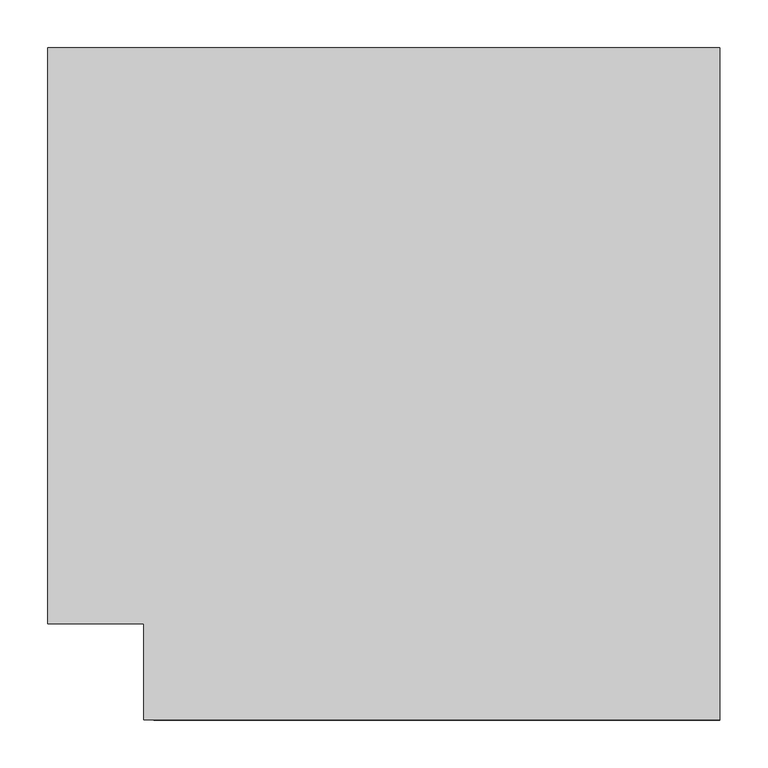
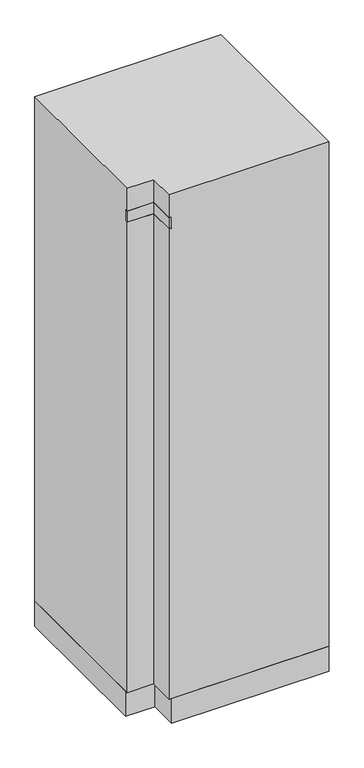
"""IFC4 building model written with IfcOpenShell, lengths in millimetres: proxy geometry."""

from ifc_helpers import new_model, si_unit, frame, origin, origin_with_axes, place, context, project, spatial, polyline, outline, extrude, faceted_brep, source, transform, mapped, element, save


def electrical_fixtures_651b7e24(model_context):
    return source(origin(), model_context, "Body", "SolidModel", [
        faceted_brep([(0.0, 0.0, 2100.0), (100.0, 0.0, 2100.0), (100.0, -100.0, 2100.0), (700.0, -100.0, 2100.0), (700.0, 600.0, 2100.0), (0.0, 600.0, 2100.0), (0.0, 0.0, 100.0), (0.0, 600.0, 100.0), (700.0, 600.0, 100.0), (700.0, -100.0, 100.0), (100.0, -100.0, 100.0), (100.0, 0.0, 100.0), (0.0, 0.0, 2010.0), (100.0, 0.0, 2010.0), (100.0, 0.0, 1965.0), (0.0, 0.0, 1965.0), (100.0, -100.0, 2010.0), (100.0, -100.0, 1965.0), (110.0, -100.0, 2010.0), (110.0, -100.0, 1965.0), (0.0, 10.0, 1965.0), (0.0, 10.0, 2010.0), (110.0, 10.0, 2010.0), (110.0, 10.0, 1965.0)], [[[0, 1, 2, 3, 4, 5]], [[6, 7, 8, 9, 10, 11]], [[1, 0, 12, 13]], [[6, 11, 14, 15]], [[2, 1, 13, 16]], [[11, 10, 17, 14]], [[3, 2, 16, 18, 19, 17, 10, 9]], [[4, 3, 9, 8]], [[5, 4, 8, 7]], [[0, 5, 7, 6, 15, 20, 21, 12]], [[22, 18, 16, 13, 12, 21]], [[23, 20, 15, 14, 17, 19]], [[22, 21, 20, 23]], [[18, 22, 23, 19]]]),
        extrude(outline(polyline([(0.0, 10.0), (110.0, 10.0), (110.0, -100.0), (100.0, -100.0), (100.0, 0.0), (0.0, 0.0), (0.0, 10.0)])), frame((0.0, 0.0, 1965.0), z_axis=(0.0, 0.0, 1.0), x_axis=(1.0, 0.0, 0.0)), (0.0, 0.0, 1.0), 45.0),
        extrude(outline(polyline([(0.0, 10.0), (0.0, 600.0), (700.0, 600.0), (700.0, -100.0), (110.0, -100.0), (110.0, 10.0), (0.0, 10.0)])), origin_with_axes(), (0.0, 0.0, 1.0), 100.0),
    ])


if __name__ == "__main__":
    model = new_model("IFC4")
    model_context = context("Model", 3, world=origin())
    ifc_project = project(units=[si_unit("LENGTHUNIT", "METRE", prefix="MILLI")], contexts=[model_context])
    site = spatial("IfcSite", under=ifc_project)
    building = spatial("IfcBuilding", under=site)
    placement = place(None, origin())
    electrical_fixtures_shape = electrical_fixtures_651b7e24(model_context)
    element("IfcBuildingElementProxy", 1, Name="Electrical Fixtures", at=placement, inside=building, context=model_context, shape_type="MappedRepresentation", body=[
        mapped(electrical_fixtures_shape, transform((0.0, 0.0, 0.0), x_axis=(1.0, 0.0, 0.0), y_axis=(0.0, 1.0, 0.0), z_axis=(0.0, 0.0, 1.0))),
    ])
    save(model, "model.ifc")
